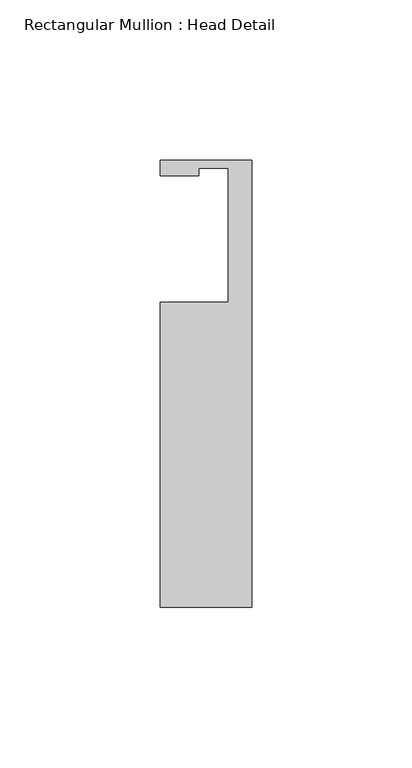
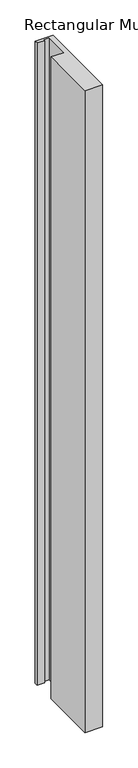
"""IFC4 building model written with IfcOpenShell, lengths in millimetres: member geometry, Rectangular Mullion : Head Detail."""

from ifc_helpers import new_model, si_unit, frame, origin, place, context, project, spatial, polyline, outline, extrude, source, transform, mapped, element, save


def rectangular_mullion_head_detail_d7b2f999(model_context):
    return source(origin(), model_context, "Body", "SweptSolid", [
        extrude(outline(polyline([(-28.575, -19.05), (-7.3152, -19.05), (-7.3152, 22.86), (-16.4846, 22.86), (-16.4846, 20.5232), (-28.575, 20.5232), (-28.575, 25.4), (0.0, 25.4), (0.0, -114.3), (-28.575, -114.3), (-28.575, -19.05)])), frame((0.0, 0.0, -1104.9), z_axis=(0.0, 0.0, 1.0), x_axis=(1.0, 0.0, 0.0)), (0.0, 0.0, 1.0), 1104.9),
    ])


if __name__ == "__main__":
    model = new_model("IFC4")
    model_context = context("Model", 3, world=origin())
    ifc_project = project(units=[si_unit("LENGTHUNIT", "METRE", prefix="MILLI")], contexts=[model_context])
    site = spatial("IfcSite", under=ifc_project)
    building = spatial("IfcBuilding", under=site)
    placement = place(None, origin())
    rectangular_mullion_head_detail_shape = rectangular_mullion_head_detail_d7b2f999(model_context)
    element("IfcMember", 1, ObjectType="Rectangular Mullion : Head Detail", at=placement, inside=building, context=model_context, shape_type="MappedRepresentation", body=[
        mapped(rectangular_mullion_head_detail_shape, transform((0.0, 0.0, 0.0), x_axis=(1.0, 0.0, 0.0), y_axis=(0.0, 1.0, 0.0), z_axis=(0.0, 0.0, 1.0))),
    ])
    save(model, "model.ifc")
